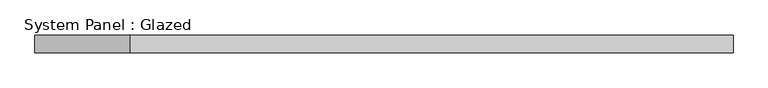
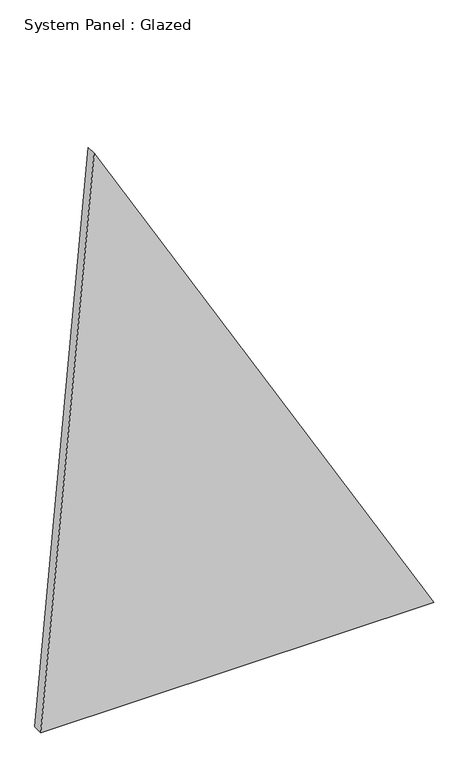
"""IFC4 building model written with IfcOpenShell, lengths in millimetres: plate geometry, System Panel : Glazed."""

import ifcopenshell
import ifcopenshell.guid

model = None  # the IFC model being written
_history = None  # IfcOwnerHistory: only IFC2X3 demands one
_inside = {}  # id of a spatial element -> (the spatial element, [elements in it])
_under = {}  # id of a project, library or spatial element -> (it, [spatial elements below it])
_declared = {}  # id of a project -> (the project, [libraries it declares])
_typed = {}  # id of a type object -> (the type object, [elements of that type])
_made_of = {}  # id of a material, layer set ... -> (it, [elements and type objects made of it])


def new_model(schema):
    """Start an empty IFC model of exactly this schema.

    Asked for "IFC4X3", IfcOpenShell would pick the latest addendum, in which some entities
    have other attributes; the version numbers below select the first issue.
    IFC2X3 requires an IfcOwnerHistory on every rooted entity: one is made here for all.
    """
    global model, _history
    if schema == "IFC4X3":
        model = ifcopenshell.file(schema_version=(4, 3, 0, 0))
    else:
        model = ifcopenshell.file(schema=schema)
    _inside.clear()
    _under.clear()
    _declared.clear()
    _typed.clear()
    _made_of.clear()
    _history = None
    if model.schema == "IFC2X3":
        org = make("IfcOrganization", Name="unknown")
        user = make(
            "IfcPersonAndOrganization",
            ThePerson=make("IfcPerson", FamilyName="unknown"),
            TheOrganization=org,
        )
        app = make(
            "IfcApplication",
            ApplicationDeveloper=org,
            Version="unknown",
            ApplicationFullName="unknown",
            ApplicationIdentifier="unknown",
        )
        _history = make(
            "IfcOwnerHistory",
            OwningUser=user,
            OwningApplication=app,
            ChangeAction="ADDED",
            CreationDate=0,
        )
    return model


def make(cls, **values):
    """One entity of the class cls with the attributes given. An attribute that is None is left unset."""
    return model.create_entity(
        cls, **{name: value for name, value in values.items() if value is not None}
    )


def rooted(cls, **values):
    """An entity with a GlobalId (a new one), such as an element, a storey or a relation."""
    return make(cls, GlobalId=ifcopenshell.guid.new(), OwnerHistory=_history, **values)


def si_unit(unit_type, name, prefix=None):
    """IfcSIUnit, for example si_unit("LENGTHUNIT", "METRE", prefix="MILLI")."""
    return make("IfcSIUnit", UnitType=unit_type, Prefix=prefix, Name=name)


def assignment(units):
    """IfcUnitAssignment: the units of a project."""
    return None if units is None else make("IfcUnitAssignment", Units=units)


def point(xyz):
    """IfcCartesianPoint."""
    return None if xyz is None else make("IfcCartesianPoint", Coordinates=xyz)


def direction(xyz):
    """IfcDirection."""
    return None if xyz is None else make("IfcDirection", DirectionRatios=xyz)


def frame(location, z_axis=None, x_axis=None):
    """IfcAxis2Placement3D, a coordinate frame: its origin and axes. An axis left out is left unset."""
    return make(
        "IfcAxis2Placement3D",
        Location=point(location),
        Axis=direction(z_axis),
        RefDirection=direction(x_axis),
    )


def origin():
    """The frame at (0, 0, 0) with its axes left unset."""
    return frame((0.0, 0.0, 0.0))


def place(relative_to, where):
    """IfcLocalPlacement: puts the frame where relative to a parent placement (None: the world)."""
    return make(
        "IfcLocalPlacement", PlacementRelTo=relative_to, RelativePlacement=where
    )


def context(
    kind, dimensions, precision=None, world=None, true_north=None, identifier=None
):
    """IfcGeometricRepresentationContext, for example the 3D "Model" context."""
    return make(
        "IfcGeometricRepresentationContext",
        ContextIdentifier=identifier,
        ContextType=kind,
        CoordinateSpaceDimension=dimensions,
        Precision=precision,
        WorldCoordinateSystem=world,
        TrueNorth=true_north,
    )


def project(units=None, contexts=None):
    """IfcProject with its units and contexts."""
    return rooted(
        "IfcProject",
        Name="project",
        RepresentationContexts=contexts,
        UnitsInContext=assignment(units),
    )


def spatial(cls, under=None, at=None, **own):
    """A site, building, storey or space (cls), placed at a placement, below another one or the project."""
    s = rooted(cls, ObjectPlacement=at, **own)
    if under is not None:
        _under.setdefault(under.id(), (under, []))[1].append(s)
    return s


def polyline(points):
    """IfcPolyline through the points."""
    return make("IfcPolyline", Points=[point(p) for p in points])


def outline(outer, holes=None, kind="AREA"):
    """IfcArbitraryClosedProfileDef: a profile drawn as a closed curve; with holes, ...WithVoids."""
    if holes is None:
        return make("IfcArbitraryClosedProfileDef", ProfileType=kind, OuterCurve=outer)
    return make(
        "IfcArbitraryProfileDefWithVoids",
        ProfileType=kind,
        OuterCurve=outer,
        InnerCurves=holes,
    )


def extrude(swept, where, along, depth):
    """IfcExtrudedAreaSolid: the profile swept, set in the frame where, extruded along a direction by depth."""
    return make(
        "IfcExtrudedAreaSolid",
        SweptArea=swept,
        Position=where,
        ExtrudedDirection=direction(along),
        Depth=depth,
    )


def shape(context_of_items, identifier, shape_type, items):
    """IfcShapeRepresentation: the items that make up one representation, for example the "Body"."""
    return make(
        "IfcShapeRepresentation",
        ContextOfItems=context_of_items,
        RepresentationIdentifier=identifier,
        RepresentationType=shape_type,
        Items=items,
    )


def source(mapping_origin, context_of_items, identifier, shape_type, items):
    """IfcRepresentationMap: a shape defined once, which mapped items show again and again."""
    return make(
        "IfcRepresentationMap",
        MappingOrigin=mapping_origin,
        MappedRepresentation=shape(context_of_items, identifier, shape_type, items),
    )


def transform(
    local_origin,
    x_axis=None,
    y_axis=None,
    z_axis=None,
    scale=None,
    scale2=None,
    scale3=None,
    uniform=True,
):
    """IfcCartesianTransformationOperator3D, or its non-uniform kind. x_axis, y_axis, z_axis: its Axis1, 2, 3."""
    if uniform:
        return make(
            "IfcCartesianTransformationOperator3D",
            Axis1=direction(x_axis),
            Axis2=direction(y_axis),
            LocalOrigin=point(local_origin),
            Scale=scale,
            Axis3=direction(z_axis),
        )
    return make(
        "IfcCartesianTransformationOperator3DnonUniform",
        Axis1=direction(x_axis),
        Axis2=direction(y_axis),
        LocalOrigin=point(local_origin),
        Scale=scale,
        Axis3=direction(z_axis),
        Scale2=scale2,
        Scale3=scale3,
    )


def mapped(mapping_source, mapping_target):
    """IfcMappedItem: shows the shape of a source again, moved by a transform."""
    return make(
        "IfcMappedItem", MappingSource=mapping_source, MappingTarget=mapping_target
    )


def made_of(thing, what):
    """Note that an element or type object is made of a material, layer set ...; save() writes the relation."""
    if what is not None:
        _made_of.setdefault(what.id(), (what, []))[1].append(thing)
    return thing


def element(
    cls,
    number,
    at=None,
    inside=None,
    cuts=None,
    type_object=None,
    material=None,
    context=None,
    identifier="Body",
    shape_type=None,
    held_by="IfcProductDefinitionShape",
    body=None,
    shapes=None,
    **own,
):
    """One element of the class cls, such as IfcWall. Its Tag is "e" and its number.

    at: its placement. inside: the storey or other place that contains it. cuts: it is an
    opening in that element (IfcRelVoidsElement). A single representation is given by context,
    identifier, shape_type and body (its items); several are given by shapes. held_by: the class
    of the entity that holds the representations. save() writes the other relations.
    """
    e = rooted(cls, Tag="e%d" % number, ObjectPlacement=at, **own)
    if body is not None:
        shapes = [shape(context, identifier, shape_type, body)]
    if shapes is not None:
        e.Representation = make(held_by, Representations=shapes)
    if inside is not None:
        _inside.setdefault(inside.id(), (inside, []))[1].append(e)
    if cuts is not None:
        rooted(
            "IfcRelVoidsElement", RelatingBuildingElement=cuts, RelatedOpeningElement=e
        )
    if type_object is not None:
        _typed.setdefault(type_object.id(), (type_object, []))[1].append(e)
    return made_of(e, material)


def aggregate(whole, parts):
    """IfcRelAggregates: a whole, such as a stair, and the parts it consists of."""
    return rooted("IfcRelAggregates", RelatingObject=whole, RelatedObjects=parts)


def save(model, path):
    """Write the relations noted so far, then the file.

    IfcRelAggregates (storeys below a building ...), IfcRelContainedInSpatialStructure (elements
    in a storey), IfcRelDefinesByType, IfcRelAssociatesMaterial and IfcRelDeclares: one each for
    every whole, place, type object, material and project.
    """
    for whole, parts in _under.values():
        aggregate(whole, parts)
    for where, things in _inside.values():
        rooted(
            "IfcRelContainedInSpatialStructure",
            RelatedElements=things,
            RelatingStructure=where,
        )
    for kind, things in _typed.values():
        rooted("IfcRelDefinesByType", RelatedObjects=things, RelatingType=kind)
    for what, things in _made_of.values():
        rooted("IfcRelAssociatesMaterial", RelatedObjects=things, RelatingMaterial=what)
    for by, libraries in _declared.values():
        rooted("IfcRelDeclares", RelatingContext=by, RelatedDefinitions=libraries)
    model.write(path)


def system_panel_glazed_df3a0782(model_context):
    return source(origin(), model_context, "Body", "SweptSolid", [
        extrude(outline(polyline([(0.0, -707.2292261), (0.0, 707.2292261), (2134.7143007, -515.1853925), (0.0, -707.2292261)])), frame((0.0, -18.0, 0.0), z_axis=(0.0, 1.0, 0.0), x_axis=(0.0, 0.0, 1.0)), (0.0, 0.0, 1.0), 36.0),
    ])


if __name__ == "__main__":
    model = new_model("IFC4")
    model_context = context("Model", 3, world=origin())
    ifc_project = project(units=[si_unit("LENGTHUNIT", "METRE", prefix="MILLI")], contexts=[model_context])
    site = spatial("IfcSite", under=ifc_project)
    building = spatial("IfcBuilding", under=site)
    placement = place(None, origin())
    system_panel_glazed_shape = system_panel_glazed_df3a0782(model_context)
    element("IfcPlate", 1, ObjectType="System Panel : Glazed", at=placement, inside=building, context=model_context, shape_type="MappedRepresentation", body=[
        mapped(system_panel_glazed_shape, transform((0.0, 0.0, 0.0), x_axis=(1.0, 0.0, 0.0), y_axis=(0.0, 1.0, 0.0), z_axis=(0.0, 0.0, 1.0))),
    ])
    save(model, "model.ifc")
